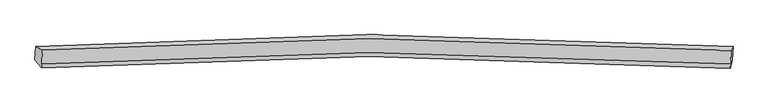
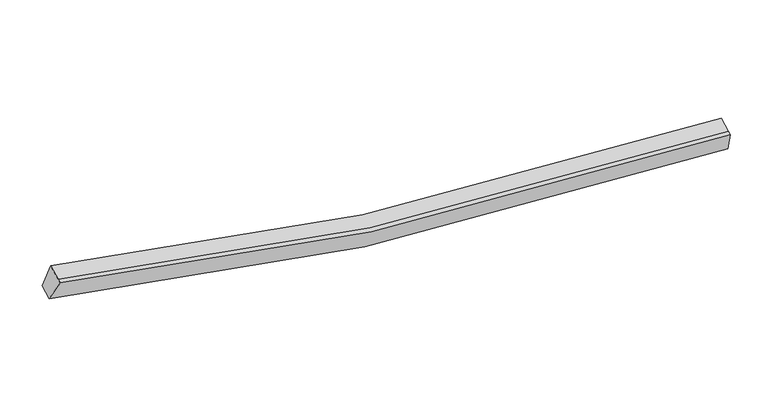
"""IFC4 building model written with IfcOpenShell, lengths in millimetres: proxy geometry."""

from ifc_helpers import new_model, si_unit, frame, origin, place, context, project, spatial, source, transform, mapped, element, save
from ifc_brep_helpers import plane_surface, spline_curve, spline_surface, advanced_brep


def generic_models_7f29bfe3(model_context):
    return source(origin(), model_context, "Body", "AdvancedBrep", [
        advanced_brep(
        [(-10421.208033, -1860.3799275, 4420.5249741), (-10204.0315998, -1977.3125277, 5091.9786786), (11535.6867492, -1985.9476312, 2559.2843836), (11595.8212738, -1869.0283627, 1856.1466752), (-10223.9226814, -2416.9295719, 4918.0690278), (11515.7956676, -2425.5646753, 2385.3747327), (-10229.8078122, -2546.9981058, 4866.6147595), (11509.9105368, -2555.6332092, 2333.9204645), (-10440.7934424, -2293.241246, 4249.2878445), (11576.2358644, -2301.8896811, 1684.9095456)],
        [
            (0, 1),
            (1, 2, spline_curve(3, [(-10204.0315998, -1977.3125277, 5091.9786786), (-6794.821880922, -1744.537525739, 4131.254880122), (-3353.701725705, -1624.072699987, 3437.113248313), (3887.22259776, -1607.071067518, 2545.694164283), (7692.675225538, -1730.414260898, 2395.604365583), (11535.6867492, -1985.9476312, 2559.2843836)], [4, 2, 4], [0.0, 34.79099297801168, 72.53576972310023])),
            (2, 3),
            (3, 0, spline_curve(3, [(11595.8212738, -1869.0283627, 1856.1466752), (7702.878808007, -1609.888482754, 1689.060850357), (3848.447682612, -1484.814262709, 1840.376840327), (-3484.770390205, -1502.093504076, 2743.053862675), (-6969.349033172, -1624.284911535, 3446.530638424), (-10421.208033, -1860.3799275, 4420.5249741)], [4, 2, 4], [0.0, 37.74477674508855, 72.53576972310023])),
            (1, 4),
            (4, 5, spline_curve(3, [(-10223.9226814, -2416.9295719, 4918.0690278), (-6814.712963044, -2184.154569237, 3957.345229539), (-3373.592807481, -2063.689744341, 3263.203596567), (3867.33151635, -2046.688111552, 2371.784514301), (7672.784143689, -2170.031305068, 2221.694715141), (11515.7956676, -2425.5646753, 2385.3747327)], [4, 2, 4], [0.0, 34.570298337065154, 72.07564328563589])),
            (5, 2),
            (4, 6),
            (6, 7, spline_curve(3, [(-10229.8078122, -2546.9981058, 4866.6147595), (-6820.598093844, -2314.223103137, 3905.890961239), (-3379.477938281, -2193.758278241, 3211.749328367), (3861.44638555, -2176.756645452, 2320.330246101), (7666.899012889, -2300.099838968, 2170.240446941), (11509.9105368, -2555.6332092, 2333.9204645)], [4, 2, 4], [0.0, 34.57029833706516, 72.0756432856359])),
            (7, 5),
            (6, 8),
            (8, 9, spline_curve(3, [(-10440.7934424, -2293.241246, 4249.2878445), (-6988.934442572, -2057.146230035, 3275.293508824), (-3504.355799705, -1934.954822576, 2571.816733075), (3828.862273112, -1917.675581209, 1669.139710727), (7683.293398607, -2042.749801154, 1517.823720757), (11576.2358644, -2301.8896811, 1684.9095456)], [4, 2, 4], [0.0, 34.790992978011666, 72.5357697231002])),
            (9, 7),
            (8, 0),
            (3, 9),
        ],
        [
            spline_surface(3, 3, [[(-10421.208033, -1860.3799275, 4420.5249741), (-6969.349032631, -1624.284911967, 3446.530637867), (-3484.770389849, -1502.093504102, 2743.053862315), (3848.447682225, -1484.814262681, 1840.376840717), (7702.878808373, -1609.888482345, 1689.060849994), (11595.8212738, -1869.0283627, 1856.1466752)], [(-10348.815888595, -1899.3574609, 4644.342875594), (-6911.173315476, -1664.369116398, 3674.772052136), (-3441.080835097, -1542.753236063, 2974.4069909), (3861.372654091, -1525.566530941, 2075.482615347), (7699.477613994, -1650.063741776, 1924.575355189), (11575.776432261, -1908.001452206, 2090.525911338)], [(-10276.423744205, -1938.3349943, 4868.160777106), (-6852.997598335, -1704.453320829, 3903.013466424), (-3397.391280433, -1583.412968053, 3205.760119456), (3874.297625868, -1566.31879923, 2310.588389947), (7696.076419632, -1690.239001191, 2160.089860371), (11555.731590739, -1946.974541694, 2324.905147462)], [(-10204.0315998, -1977.3125277, 5091.9786786), (-6794.82188118, -1744.53752526, 4131.254880693), (-3353.701725681, -1624.072700014, 3437.113248041), (3887.222597733, -1607.07106749, 2545.694164578), (7692.675225253, -1730.414260623, 2395.604365566), (11535.6867492, -1985.9476312, 2559.2843836)]], [4, 4], [4, 2, 4], [0.0, 2.3468350284387283], [0.0, 34.79099297801168, 72.53576972310023]),
            spline_surface(3, 3, [[(-10204.0315998, -1977.3125277, 5091.9786786), (-6794.82188118, -1744.53752526, 4131.254880693), (-3353.701725681, -1624.072700014, 3437.113248041), (3887.222597733, -1607.07106749, 2545.694164578), (7692.675225253, -1730.414260623, 2395.604365566), (11535.6867492, -1985.9476312, 2559.2843836)], [(-10210.66196034, -2123.851542423, 5034.008794983), (-6801.45224172, -1891.076539983, 4073.284997076), (-3360.332086221, -1770.611714737, 3379.143364424), (3880.592237193, -1753.610082213, 2487.724280961), (7686.044864713, -1876.953275346, 2337.634481949), (11529.05638866, -2132.486645923, 2501.314499983)], [(-10217.29232086, -2270.390557177, 4976.038911417), (-6808.08260224, -2037.615554737, 4015.31511351), (-3366.962446741, -1917.150729491, 3321.173480758), (3873.961876673, -1900.149096966, 2429.754397294), (7679.414504193, -2023.49229, 2279.664598283), (11522.42602814, -2279.025660577, 2443.344616317)], [(-10223.9226814, -2416.9295719, 4918.0690278), (-6814.71296278, -2184.15456946, 3957.345229893), (-3373.592807281, -2063.689744214, 3263.203597141), (3867.331516133, -2046.68811169, 2371.784513678), (7672.784143653, -2170.031304723, 2221.694714666), (11515.7956676, -2425.5646753, 2385.3747327)]], [4, 4], [4, 2, 4], [0.0, 1.5524418790224417], [0.0, 34.570298337065154, 72.07564328563589]),
            spline_surface(3, 3, [[(-10223.9226814, -2416.9295719, 4918.0690278), (-6814.71296278, -2184.15456946, 3957.345229893), (-3373.592807281, -2063.689744214, 3263.203597141), (3867.331516133, -2046.68811169, 2371.784513678), (7672.784143653, -2170.031304723, 2221.694714666), (11515.7956676, -2425.5646753, 2385.3747327)], [(-10225.88439168, -2460.28574987, 4900.917605049), (-6816.67467306, -2227.51074743, 3940.193807142), (-3375.554517561, -2107.045922184, 3246.05217439), (3865.369805854, -2090.04428966, 2354.633090927), (7670.822433373, -2213.387482693, 2204.543291915), (11513.83395732, -2468.92085327, 2368.223309949)], [(-10227.84610192, -2503.64192783, 4883.766182251), (-6818.6363833, -2270.86692539, 3923.042384343), (-3377.516227801, -2150.402100144, 3228.900751692), (3863.408095613, -2133.400467619, 2337.481668228), (7668.860723133, -2256.743660653, 2187.391869216), (11511.87224708, -2512.27703123, 2351.071887251)], [(-10229.8078122, -2546.9981058, 4866.6147595), (-6820.59809358, -2314.22310336, 3905.890961593), (-3379.477938081, -2193.758278114, 3211.749328941), (3861.446385333, -2176.75664559, 2320.330245478), (7666.899012853, -2300.099838623, 2170.240446466), (11509.9105368, -2555.6332092, 2333.9204645)]], [4, 4], [4, 2, 4], [0.0, 0.45931758530183836], [0.0, 34.57029833706516, 72.0756432856359]),
            spline_surface(3, 3, [[(-10229.8078122, -2546.9981058, 4866.6147595), (-6820.59809358, -2314.22310336, 3905.890961593), (-3379.477938081, -2193.758278114, 3211.749328941), (3861.446385333, -2176.75664559, 2320.330245478), (7666.899012853, -2300.099838623, 2170.240446466), (11509.9105368, -2555.6332092, 2333.9204645)], [(-10300.136355605, -2462.412485872, 4660.839121174), (-6876.710209735, -2228.530812401, 3695.691810492), (-3421.103891834, -2107.490459625, 2998.438463524), (3850.585014467, -2090.396290802, 2103.266734015), (7672.363808232, -2214.316492663, 1952.768204439), (11532.018979339, -2471.052033167, 2117.58349153)], [(-10370.464898995, -2377.826865928, 4455.063482826), (-6932.822325875, -2142.838521426, 3485.492659368), (-3462.729845596, -2021.222641091, 2785.127598132), (3839.723643591, -2004.035935968, 1886.203222579), (7677.828603594, -2128.533146704, 1735.295962421), (11554.127421861, -2386.470857133, 1901.24651857)], [(-10440.7934424, -2293.241246, 4249.2878445), (-6988.934442031, -2057.146230467, 3275.293508267), (-3504.355799349, -1934.954822602, 2571.816732715), (3828.862272725, -1917.675581181, 1669.139711117), (7683.293398973, -2042.749800745, 1517.823720394), (11576.2358644, -2301.8896811, 1684.9095456)]], [4, 4], [4, 2, 4], [0.0, 2.2965576696208987], [0.0, 34.790992978011666, 72.5357697231002]),
            spline_surface(3, 3, [[(-10440.7934424, -2293.241246, 4249.2878445), (-6988.934442031, -2057.146230467, 3275.293508267), (-3504.355799349, -1934.954822602, 2571.816732715), (3828.862272725, -1917.675581181, 1669.139711117), (7683.293398973, -2042.749800745, 1517.823720394), (11576.2358644, -2301.8896811, 1684.9095456)], [(-10434.264972579, -2148.954139834, 4306.3668877), (-6982.40597221, -1912.859124302, 3332.372551467), (-3497.827329528, -1790.667716436, 2628.895775915), (3835.390742546, -1773.388475015, 1726.218754317), (7689.821868794, -1898.462694579, 1574.902763594), (11582.764334221, -2157.602574934, 1741.9885888)], [(-10427.736502821, -2004.667033666, 4363.4459309), (-6975.877502451, -1768.572018133, 3389.451594667), (-3491.298859669, -1646.380610267, 2685.974819115), (3841.919212404, -1629.101368846, 1783.297797518), (7696.350338553, -1754.17558851, 1631.981806794), (11589.292803979, -2013.315468866, 1799.067632)], [(-10421.208033, -1860.3799275, 4420.5249741), (-6969.349032631, -1624.284911967, 3446.530637867), (-3484.770389849, -1502.093504102, 2743.053862315), (3848.447682225, -1484.814262681, 1840.376840717), (7702.878808373, -1609.888482345, 1689.060849994), (11595.8212738, -1869.0283627, 1856.1466752)]], [4, 4], [4, 2, 4], [0.0, 1.5285850436308428], [0.0, 35.01168788717033, 72.99589671976025]),
            plane_surface(frame((11554.413606, -2178.1247211, 2108.5652672), z_axis=(0.9946131252715841, -0.07379832013433021, 0.07279106389415825), x_axis=(0.0947504680232902, 0.36249075442906603, -0.9271584555850279))),
            plane_surface(frame((-10323.9602218, -2169.4829518, 4657.1015642), z_axis=(-0.9525681664156265, -0.07370470968470881, 0.29526514203655047), x_axis=(-0.042036648853818304, -0.9290609565032862, -0.3675304875168042))),
        ],
        [
            (0, [[1, 2, 3, 4]]),
            (1, [[5, 6, 7, -2]]),
            (2, [[8, 9, 10, -6]]),
            (3, [[11, 12, 13, -9]]),
            (4, [[14, -4, 15, -12]]),
            (5, [[-13, -15, -3, -7, -10]]),
            (6, [[-14, -11, -8, -5, -1]]),
        ],
    ),
    ])


if __name__ == "__main__":
    model = new_model("IFC4")
    model_context = context("Model", 3, world=origin())
    ifc_project = project(units=[si_unit("LENGTHUNIT", "METRE", prefix="MILLI")], contexts=[model_context])
    site = spatial("IfcSite", under=ifc_project)
    building = spatial("IfcBuilding", under=site)
    placement = place(None, origin())
    generic_models_shape = generic_models_7f29bfe3(model_context)
    element("IfcBuildingElementProxy", 1, Name="Generic Models", at=placement, inside=building, context=model_context, shape_type="MappedRepresentation", body=[
        mapped(generic_models_shape, transform((0.0, 0.0, 0.0), x_axis=(1.0, 0.0, 0.0), y_axis=(0.0, 1.0, 0.0), z_axis=(0.0, 0.0, 1.0))),
    ])
    save(model, "model.ifc")
